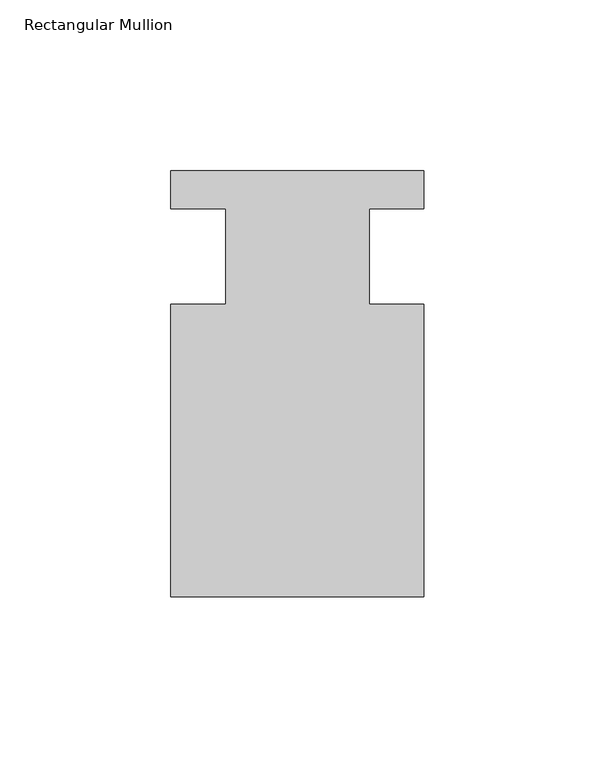
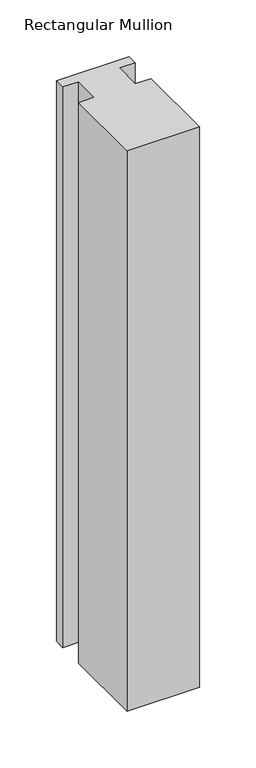
"""IFC4 building model written with IfcOpenShell, lengths in millimetres: member geometry, Rectangular Mullion."""

from ifc_helpers import new_model, si_unit, frame, origin, place, context, project, spatial, polyline, outline, extrude, source, transform, mapped, element, save


def rectangular_mullion_65d7eaa4(model_context):
    return source(origin(), model_context, "Body", "SweptSolid", [
        extrude(outline(polyline([(-20.9800745, -13.9998907), (-20.9800745, 14.0), (-37.0, 14.0), (-37.0, 25.0), (36.9800745, 25.0), (36.9800745, 14.0), (20.9800745, 14.0), (20.9800745, -13.9998907), (37.0, -13.9998907), (37.0, -99.5), (-37.0, -99.5), (-37.0, -13.9998907), (-20.9800745, -13.9998907)])), frame((0.0, 0.0, -604.9120817), z_axis=(0.0, 0.0, 1.0), x_axis=(1.0, 0.0, 0.0)), (0.0, 0.0, 1.0), 604.9120817),
    ])


if __name__ == "__main__":
    model = new_model("IFC4")
    model_context = context("Model", 3, world=origin())
    ifc_project = project(units=[si_unit("LENGTHUNIT", "METRE", prefix="MILLI")], contexts=[model_context])
    site = spatial("IfcSite", under=ifc_project)
    building = spatial("IfcBuilding", under=site)
    placement = place(None, origin())
    rectangular_mullion_shape = rectangular_mullion_65d7eaa4(model_context)
    element("IfcMember", 1, ObjectType="Rectangular Mullion", at=placement, inside=building, context=model_context, shape_type="MappedRepresentation", body=[
        mapped(rectangular_mullion_shape, transform((0.0, 0.0, 0.0), x_axis=(1.0, 0.0, 0.0), y_axis=(0.0, 1.0, 0.0), z_axis=(0.0, 0.0, 1.0))),
    ])
    save(model, "model.ifc")
